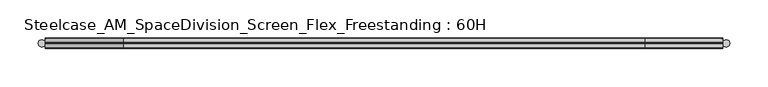
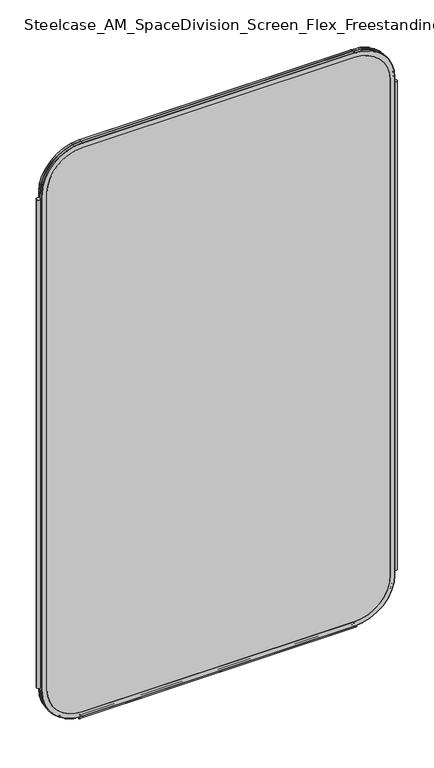
"""IFC4 building model written with IfcOpenShell, lengths in millimetres: furniture geometry, Steelcase_AM_SpaceDivision_Screen_Flex_Freestanding : 60H."""

import ifcopenshell
import ifcopenshell.guid

model = None  # the IFC model being written
_history = None  # IfcOwnerHistory: only IFC2X3 demands one
_inside = {}  # id of a spatial element -> (the spatial element, [elements in it])
_under = {}  # id of a project, library or spatial element -> (it, [spatial elements below it])
_declared = {}  # id of a project -> (the project, [libraries it declares])
_typed = {}  # id of a type object -> (the type object, [elements of that type])
_made_of = {}  # id of a material, layer set ... -> (it, [elements and type objects made of it])


def new_model(schema):
    """Start an empty IFC model of exactly this schema.

    Asked for "IFC4X3", IfcOpenShell would pick the latest addendum, in which some entities
    have other attributes; the version numbers below select the first issue.
    IFC2X3 requires an IfcOwnerHistory on every rooted entity: one is made here for all.
    """
    global model, _history
    if schema == "IFC4X3":
        model = ifcopenshell.file(schema_version=(4, 3, 0, 0))
    else:
        model = ifcopenshell.file(schema=schema)
    _inside.clear()
    _under.clear()
    _declared.clear()
    _typed.clear()
    _made_of.clear()
    _history = None
    if model.schema == "IFC2X3":
        org = make("IfcOrganization", Name="unknown")
        user = make(
            "IfcPersonAndOrganization",
            ThePerson=make("IfcPerson", FamilyName="unknown"),
            TheOrganization=org,
        )
        app = make(
            "IfcApplication",
            ApplicationDeveloper=org,
            Version="unknown",
            ApplicationFullName="unknown",
            ApplicationIdentifier="unknown",
        )
        _history = make(
            "IfcOwnerHistory",
            OwningUser=user,
            OwningApplication=app,
            ChangeAction="ADDED",
            CreationDate=0,
        )
    return model


def make(cls, **values):
    """One entity of the class cls with the attributes given. An attribute that is None is left unset."""
    return model.create_entity(
        cls, **{name: value for name, value in values.items() if value is not None}
    )


def rooted(cls, **values):
    """An entity with a GlobalId (a new one), such as an element, a storey or a relation."""
    return make(cls, GlobalId=ifcopenshell.guid.new(), OwnerHistory=_history, **values)


def si_unit(unit_type, name, prefix=None):
    """IfcSIUnit, for example si_unit("LENGTHUNIT", "METRE", prefix="MILLI")."""
    return make("IfcSIUnit", UnitType=unit_type, Prefix=prefix, Name=name)


def assignment(units):
    """IfcUnitAssignment: the units of a project."""
    return None if units is None else make("IfcUnitAssignment", Units=units)


def point(xyz):
    """IfcCartesianPoint."""
    return None if xyz is None else make("IfcCartesianPoint", Coordinates=xyz)


def direction(xyz):
    """IfcDirection."""
    return None if xyz is None else make("IfcDirection", DirectionRatios=xyz)


def frame(location, z_axis=None, x_axis=None):
    """IfcAxis2Placement3D, a coordinate frame: its origin and axes. An axis left out is left unset."""
    return make(
        "IfcAxis2Placement3D",
        Location=point(location),
        Axis=direction(z_axis),
        RefDirection=direction(x_axis),
    )


def frame_2d(location, x_axis=None):
    """IfcAxis2Placement2D, a coordinate frame in the plane: its origin and x axis."""
    return make(
        "IfcAxis2Placement2D", Location=point(location), RefDirection=direction(x_axis)
    )


def origin():
    """The frame at (0, 0, 0) with its axes left unset."""
    return frame((0.0, 0.0, 0.0))


def place(relative_to, where):
    """IfcLocalPlacement: puts the frame where relative to a parent placement (None: the world)."""
    return make(
        "IfcLocalPlacement", PlacementRelTo=relative_to, RelativePlacement=where
    )


def context(
    kind, dimensions, precision=None, world=None, true_north=None, identifier=None
):
    """IfcGeometricRepresentationContext, for example the 3D "Model" context."""
    return make(
        "IfcGeometricRepresentationContext",
        ContextIdentifier=identifier,
        ContextType=kind,
        CoordinateSpaceDimension=dimensions,
        Precision=precision,
        WorldCoordinateSystem=world,
        TrueNorth=true_north,
    )


def project(units=None, contexts=None):
    """IfcProject with its units and contexts."""
    return rooted(
        "IfcProject",
        Name="project",
        RepresentationContexts=contexts,
        UnitsInContext=assignment(units),
    )


def spatial(cls, under=None, at=None, **own):
    """A site, building, storey or space (cls), placed at a placement, below another one or the project."""
    s = rooted(cls, ObjectPlacement=at, **own)
    if under is not None:
        _under.setdefault(under.id(), (under, []))[1].append(s)
    return s


def polyline(points):
    """IfcPolyline through the points."""
    return make("IfcPolyline", Points=[point(p) for p in points])


def circle_curve(where, radius):
    """IfcCircle in the frame where."""
    return make("IfcCircle", Position=where, Radius=radius)


def ellipse_curve(where, semi_axis1, semi_axis2):
    """IfcEllipse in the frame where."""
    return make(
        "IfcEllipse", Position=where, SemiAxis1=semi_axis1, SemiAxis2=semi_axis2
    )


def trimmed(basis, trim1, trim2, sense, master):
    """IfcTrimmedCurve: the piece of a basis curve between two trims."""
    return make(
        "IfcTrimmedCurve",
        BasisCurve=basis,
        Trim1=trim1,
        Trim2=trim2,
        SenseAgreement=sense,
        MasterRepresentation=master,
    )


def segment(curve, same_sense, transition):
    """IfcCompositeCurveSegment."""
    return make(
        "IfcCompositeCurveSegment",
        Transition=transition,
        SameSense=same_sense,
        ParentCurve=curve,
    )


def composite_curve(segments, self_intersect=None):
    """IfcCompositeCurve: segments joined end to end."""
    return make("IfcCompositeCurve", Segments=segments, SelfIntersect=self_intersect)


def outline(outer, holes=None, kind="AREA"):
    """IfcArbitraryClosedProfileDef: a profile drawn as a closed curve; with holes, ...WithVoids."""
    if holes is None:
        return make("IfcArbitraryClosedProfileDef", ProfileType=kind, OuterCurve=outer)
    return make(
        "IfcArbitraryProfileDefWithVoids",
        ProfileType=kind,
        OuterCurve=outer,
        InnerCurves=holes,
    )


def extrude(swept, where, along, depth):
    """IfcExtrudedAreaSolid: the profile swept, set in the frame where, extruded along a direction by depth."""
    return make(
        "IfcExtrudedAreaSolid",
        SweptArea=swept,
        Position=where,
        ExtrudedDirection=direction(along),
        Depth=depth,
    )


def shape(context_of_items, identifier, shape_type, items):
    """IfcShapeRepresentation: the items that make up one representation, for example the "Body"."""
    return make(
        "IfcShapeRepresentation",
        ContextOfItems=context_of_items,
        RepresentationIdentifier=identifier,
        RepresentationType=shape_type,
        Items=items,
    )


def source(mapping_origin, context_of_items, identifier, shape_type, items):
    """IfcRepresentationMap: a shape defined once, which mapped items show again and again."""
    return make(
        "IfcRepresentationMap",
        MappingOrigin=mapping_origin,
        MappedRepresentation=shape(context_of_items, identifier, shape_type, items),
    )


def transform(
    local_origin,
    x_axis=None,
    y_axis=None,
    z_axis=None,
    scale=None,
    scale2=None,
    scale3=None,
    uniform=True,
):
    """IfcCartesianTransformationOperator3D, or its non-uniform kind. x_axis, y_axis, z_axis: its Axis1, 2, 3."""
    if uniform:
        return make(
            "IfcCartesianTransformationOperator3D",
            Axis1=direction(x_axis),
            Axis2=direction(y_axis),
            LocalOrigin=point(local_origin),
            Scale=scale,
            Axis3=direction(z_axis),
        )
    return make(
        "IfcCartesianTransformationOperator3DnonUniform",
        Axis1=direction(x_axis),
        Axis2=direction(y_axis),
        LocalOrigin=point(local_origin),
        Scale=scale,
        Axis3=direction(z_axis),
        Scale2=scale2,
        Scale3=scale3,
    )


def mapped(mapping_source, mapping_target):
    """IfcMappedItem: shows the shape of a source again, moved by a transform."""
    return make(
        "IfcMappedItem", MappingSource=mapping_source, MappingTarget=mapping_target
    )


def made_of(thing, what):
    """Note that an element or type object is made of a material, layer set ...; save() writes the relation."""
    if what is not None:
        _made_of.setdefault(what.id(), (what, []))[1].append(thing)
    return thing


def element(
    cls,
    number,
    at=None,
    inside=None,
    cuts=None,
    type_object=None,
    material=None,
    context=None,
    identifier="Body",
    shape_type=None,
    held_by="IfcProductDefinitionShape",
    body=None,
    shapes=None,
    **own,
):
    """One element of the class cls, such as IfcWall. Its Tag is "e" and its number.

    at: its placement. inside: the storey or other place that contains it. cuts: it is an
    opening in that element (IfcRelVoidsElement). A single representation is given by context,
    identifier, shape_type and body (its items); several are given by shapes. held_by: the class
    of the entity that holds the representations. save() writes the other relations.
    """
    e = rooted(cls, Tag="e%d" % number, ObjectPlacement=at, **own)
    if body is not None:
        shapes = [shape(context, identifier, shape_type, body)]
    if shapes is not None:
        e.Representation = make(held_by, Representations=shapes)
    if inside is not None:
        _inside.setdefault(inside.id(), (inside, []))[1].append(e)
    if cuts is not None:
        rooted(
            "IfcRelVoidsElement", RelatingBuildingElement=cuts, RelatedOpeningElement=e
        )
    if type_object is not None:
        _typed.setdefault(type_object.id(), (type_object, []))[1].append(e)
    return made_of(e, material)


def aggregate(whole, parts):
    """IfcRelAggregates: a whole, such as a stair, and the parts it consists of."""
    return rooted("IfcRelAggregates", RelatingObject=whole, RelatedObjects=parts)


def save(model, path):
    """Write the relations noted so far, then the file.

    IfcRelAggregates (storeys below a building ...), IfcRelContainedInSpatialStructure (elements
    in a storey), IfcRelDefinesByType, IfcRelAssociatesMaterial and IfcRelDeclares: one each for
    every whole, place, type object, material and project.
    """
    for whole, parts in _under.values():
        aggregate(whole, parts)
    for where, things in _inside.values():
        rooted(
            "IfcRelContainedInSpatialStructure",
            RelatedElements=things,
            RelatingStructure=where,
        )
    for kind, things in _typed.values():
        rooted("IfcRelDefinesByType", RelatedObjects=things, RelatingType=kind)
    for what, things in _made_of.values():
        rooted("IfcRelAssociatesMaterial", RelatedObjects=things, RelatingMaterial=what)
    for by, libraries in _declared.values():
        rooted("IfcRelDeclares", RelatingContext=by, RelatedDefinitions=libraries)
    model.write(path)


def plane_surface(at):
    """IfcPlane: the flat surface through the origin of the frame at, square to its z axis."""
    return make("IfcPlane", Position=at)


def cylinder_surface(at, radius):
    """IfcCylindricalSurface: all points at the distance radius from the z axis of the frame at."""
    return make("IfcCylindricalSurface", Position=at, Radius=radius)


def revolved_surface(curve, axis_point, axis_direction):
    """IfcSurfaceOfRevolution: the curve turned about the line through axis_point along axis_direction."""
    return make(
        "IfcSurfaceOfRevolution",
        SweptCurve=make("IfcArbitraryOpenProfileDef", ProfileType="CURVE", Curve=curve),
        AxisPosition=make("IfcAxis1Placement", Location=point(axis_point), Axis=direction(axis_direction)),
    )


def advanced_brep(points, edges, surfaces, faces):
    """IfcAdvancedBrep: a solid bounded by faces that lie on surfaces and meet in shared edges.

    An edge is (start, end): straight between two places in points (the first is 0);
    or (start, end, curve); or (start, end, curve, False) where it runs against its curve.
    A face is (place in surfaces, loops), or (place, loops, False) where it looks against
    its surface's normal. A loop lists edges by number (the first is 1), with a minus sign
    where the edge is run from its end to its start. The first loop is the outer one.
    """
    corners = [point(p) for p in points]
    vertices = [make("IfcVertexPoint", VertexGeometry=c) for c in corners]
    made = []
    for start, end, *more in edges:
        made.append(
            make(
                "IfcEdgeCurve",
                EdgeStart=vertices[start],
                EdgeEnd=vertices[end],
                EdgeGeometry=more[0] if more else make("IfcPolyline", Points=[corners[start], corners[end]]),
                SameSense=more[1] if len(more) > 1 else True,
            )
        )
    hull = []
    for where, loops, *sense in faces:
        bounds = []
        for j, loop in enumerate(loops):
            ring = [make("IfcOrientedEdge", EdgeElement=made[abs(k) - 1], Orientation=k > 0) for k in loop]
            bounds.append(
                make(
                    "IfcFaceOuterBound" if j == 0 else "IfcFaceBound",
                    Bound=make("IfcEdgeLoop", EdgeList=ring),
                    Orientation=True,
                )
            )
        hull.append(make("IfcAdvancedFace", Bounds=bounds, FaceSurface=surfaces[where], SameSense=sense[0] if sense else True))
    return make("IfcAdvancedBrep", Outer=make("IfcClosedShell", CfsFaces=hull))


def steelcase_am_spacedivision_screen_flex_freestanding_60h_b49cdfea(model_context):
    return source(origin(), model_context, "Body", "SolidModel", [
        extrude(outline(composite_curve([segment(trimmed(circle_curve(frame_2d((4.5307839, 0.0)), 4.572), [point((-0.0412161, 0.0))], [point((9.1027839, 0.0))], False, "CARTESIAN"), True, "CONTINUOUS"), segment(trimmed(circle_curve(frame_2d((4.5307839, 0.0)), 4.572), [point((9.1027839, 0.0))], [point((-0.0412161, 0.0))], False, "CARTESIAN"), True, "CONTINUOUS")], self_intersect=False)), frame((0.0, 0.0, 115.57), z_axis=(0.0, 0.0, 1.0), x_axis=(1.0, 0.0, 0.0)), (0.0, 0.0, 1.0), 1292.86),
        extrude(outline(composite_curve([segment(trimmed(circle_curve(frame_2d((898.7749587, 0.0)), 4.572), [point((894.2029587, 0.0))], [point((903.3469587, 0.0))], False, "CARTESIAN"), True, "CONTINUOUS"), segment(trimmed(circle_curve(frame_2d((898.7749587, 0.0)), 4.572), [point((903.3469587, 0.0))], [point((894.2029587, 0.0))], False, "CARTESIAN"), True, "CONTINUOUS")], self_intersect=False)), frame((0.0, 0.0, 115.57), z_axis=(0.0, 0.0, 1.0), x_axis=(1.0, 0.0, 0.0)), (0.0, 0.0, 1.0), 1292.86),
        extrude(outline(composite_curve([segment(trimmed(circle_curve(frame_2d((3.5, 2.4751953)), 2.5), [point((3.5, 4.9751953))], [point((1.4656663, 1.0220998))], False, "CARTESIAN"), True, "CONTINUOUS"), segment(trimmed(circle_curve(frame_2d((0.0, -0.0248047)), 1.8011626), [point((1.4656663, 1.0220998))], [point((-1.4656663, 1.0220998))], True, "CARTESIAN"), True, "CONTINUOUS"), segment(trimmed(circle_curve(frame_2d((-3.5, 2.4751953)), 2.5), [point((-1.4656663, 1.0220998))], [point((-3.5, 4.9751953))], False, "CARTESIAN"), True, "CONTINUOUS"), segment(trimmed(circle_curve(frame_2d((-3.5, 4.4751953)), 0.5), [point((-3.5, 4.9751953))], [point((-3.5, 3.9751953))], False, "CARTESIAN"), True, "CONTINUOUS"), segment(trimmed(circle_curve(frame_2d((-3.5, 2.4751953)), 1.5), [point((-3.5, 3.9751953))], [point((-2.3025096, 1.5718589))], True, "CARTESIAN"), True, "CONTINUOUS"), segment(trimmed(circle_curve(frame_2d((-10.3325937, 7.629417)), 10.0586411), [point((-2.3025096, 1.5718589))], [point((-0.714976, 4.6836248))], True, "CARTESIAN"), True, "CONTINUOUS"), segment(trimmed(circle_curve(frame_2d((0.0, 4.4646339)), 0.7477618), [point((-0.714976, 4.6836248))], [point((0.714976, 4.6836248))], False, "CARTESIAN"), True, "CONTINUOUS"), segment(trimmed(circle_curve(frame_2d((10.3325937, 7.629417)), 10.0586411), [point((0.714976, 4.6836248))], [point((2.3025096, 1.5718589))], True, "CARTESIAN"), True, "CONTINUOUS"), segment(trimmed(circle_curve(frame_2d((3.5, 2.4751953)), 1.5), [point((2.3025096, 1.5718589))], [point((3.5, 3.9751953))], True, "CARTESIAN"), True, "CONTINUOUS"), segment(trimmed(circle_curve(frame_2d((3.5, 4.4751953)), 0.5), [point((3.5, 3.9751953))], [point((3.5, 4.9751953))], False, "CARTESIAN"), True, "CONTINUOUS")], self_intersect=False)), frame((104.1640108, 0.0, 0.0), z_axis=(1.0, 0.0, 0.0), x_axis=(0.0, 1.0, 0.0)), (0.0, 0.0, 1.0), 694.9777209),
        advanced_brep(
        [(9.9273521, 0.0, 1422.4), (9.9273521, 0.0, 106.5996464), (110.7653521, 0.0, 5.7616464), (792.5652086, 0.0, 5.7616464), (893.4032086, 0.0, 106.5996464), (893.4032086, 0.0, 1422.4), (792.5652086, 0.0, 1523.238), (110.7653521, 0.0, 1523.238), (792.5652086, 0.0, 17.6996464), (110.7653521, 0.0, 17.6996464), (21.8653521, 0.0, 106.5996464), (21.8653521, 0.0, 1422.4), (110.7653521, 0.0, 1511.3), (792.5652086, 0.0, 1511.3), (881.4652086, 0.0, 1422.4), (881.4652086, 0.0, 106.5996464), (110.7653521, 0.762, 1524.0), (9.1653521, 0.762, 1422.4), (110.7653521, 6.096, 1524.0), (9.1653521, 6.096, 1422.4), (110.7653521, 6.858, 1523.238), (9.9273521, 6.858, 1422.4), (21.8653521, 6.858, 1422.4), (110.7653521, 6.858, 1511.3), (792.5652086, 0.762, 1524.0), (792.5652086, 6.096, 1524.0), (792.5652086, 6.858, 1523.238), (792.5652086, 6.858, 1511.3), (894.1652086, 0.762, 1422.4), (894.1652086, 6.096, 1422.4), (893.4032086, 6.858, 1422.4), (881.4652086, 6.858, 1422.4), (894.1652086, 0.762, 106.5996464), (894.1652086, 6.096, 106.5996464), (893.4032086, 6.858, 106.5996464), (881.4652086, 6.858, 106.5996464), (792.5652086, 0.762, 4.9996464), (792.5652086, 6.096, 4.9996464), (792.5652086, 6.858, 5.7616464), (792.5652086, 6.858, 17.6996464), (110.7653521, 0.762, 4.9996464), (110.7653521, 6.096, 4.9996464), (110.7653521, 6.858, 5.7616464), (110.7653521, 6.858, 17.6996464), (9.1653521, 0.762, 106.5996464), (9.1653521, 6.096, 106.5996464), (9.9273521, 6.858, 106.5996464), (21.8653521, 6.858, 106.5996464)],
        [
            (0, 1),
            (1, 2, circle_curve(frame((110.7653521, 0.0, 106.5996464), z_axis=(0.0, -1.0, 0.0), x_axis=(0.0, 0.0, -1.0)), 100.838)),
            (2, 3),
            (3, 4, circle_curve(frame((792.5652086, 0.0, 106.5996464), z_axis=(0.0, -1.0, 0.0), x_axis=(1.0, 0.0, 0.0)), 100.838)),
            (4, 5),
            (5, 6, circle_curve(frame((792.5652086, 0.0, 1422.4), z_axis=(0.0, -1.0, 0.0), x_axis=(0.0, 0.0, 1.0)), 100.838)),
            (6, 7),
            (7, 0, circle_curve(frame((110.7653521, 0.0, 1422.4), z_axis=(0.0, -1.0, 0.0), x_axis=(-1.0, 0.0, 0.0)), 100.838)),
            (8, 9),
            (9, 10, circle_curve(frame((110.7653521, 0.0, 106.5996464), z_axis=(0.0, 1.0, 0.0), x_axis=(0.0, 0.0, -1.0)), 88.9)),
            (10, 11),
            (11, 12, circle_curve(frame((110.7653521, 0.0, 1422.4), z_axis=(0.0, 1.0, 0.0), x_axis=(-1.0, 0.0, 0.0)), 88.9)),
            (12, 13),
            (13, 14, circle_curve(frame((792.5652086, 0.0, 1422.4), z_axis=(0.0, 1.0, 0.0), x_axis=(0.0, 0.0, 1.0)), 88.9)),
            (14, 15),
            (15, 8, circle_curve(frame((792.5652086, 0.0, 106.5996464), z_axis=(0.0, 1.0, 0.0), x_axis=(1.0, 0.0, 0.0)), 88.9)),
            (16, 17, circle_curve(frame((110.7653521, 0.762, 1422.4), z_axis=(0.0, -1.0, 0.0), x_axis=(-1.0, 0.0, 0.0)), 101.6)),
            (17, 0, circle_curve(frame((9.9273521, 0.762, 1422.4), z_axis=(0.0, 0.0, 1.0), x_axis=(-1.0, 0.0, 0.0)), 0.762)),
            (7, 16, circle_curve(frame((110.7653521, 0.762, 1523.238), z_axis=(-1.0, 0.0, 0.0), x_axis=(0.0, 0.0, 1.0)), 0.762)),
            (18, 19, circle_curve(frame((110.7653521, 6.096, 1422.4), z_axis=(0.0, -1.0, 0.0), x_axis=(-1.0, 0.0, 0.0)), 101.6)),
            (19, 17),
            (16, 18),
            (20, 21, circle_curve(frame((110.7653521, 6.858, 1422.4), z_axis=(0.0, -1.0, 0.0), x_axis=(-1.0, 0.0, 0.0)), 100.838)),
            (21, 19, circle_curve(frame((9.9273521, 6.096, 1422.4), z_axis=(0.0, 0.0, 1.0), x_axis=(-1.0, 0.0, 0.0)), 0.762)),
            (18, 20, circle_curve(frame((110.7653521, 6.096, 1523.238), z_axis=(-1.0, 0.0, 0.0), x_axis=(0.0, 0.0, 1.0)), 0.762)),
            (11, 22),
            (22, 23, circle_curve(frame((110.7653521, 6.858, 1422.4), z_axis=(0.0, 1.0, 0.0), x_axis=(-1.0, 0.0, 0.0)), 88.9)),
            (23, 12),
            (6, 24, circle_curve(frame((792.5652086, 0.762, 1523.238), z_axis=(-1.0, 0.0, 0.0), x_axis=(0.0, 0.0, 1.0)), 0.762)),
            (24, 16),
            (24, 25),
            (25, 18),
            (25, 26, circle_curve(frame((792.5652086, 6.096, 1523.238), z_axis=(-1.0, 0.0, 0.0), x_axis=(0.0, 0.0, 1.0)), 0.762)),
            (26, 20),
            (23, 27),
            (27, 13),
            (28, 24, circle_curve(frame((792.5652086, 0.762, 1422.4), z_axis=(0.0, -1.0, 0.0), x_axis=(0.0, 0.0, 1.0)), 101.6)),
            (5, 28, circle_curve(frame((893.4032086, 0.762, 1422.4), z_axis=(0.0, 0.0, 1.0), x_axis=(1.0, 0.0, 0.0)), 0.762)),
            (29, 25, circle_curve(frame((792.5652086, 6.096, 1422.4), z_axis=(0.0, -1.0, 0.0), x_axis=(0.0, 0.0, 1.0)), 101.6)),
            (28, 29),
            (30, 26, circle_curve(frame((792.5652086, 6.858, 1422.4), z_axis=(0.0, -1.0, 0.0), x_axis=(0.0, 0.0, 1.0)), 100.838)),
            (29, 30, circle_curve(frame((893.4032086, 6.096, 1422.4), z_axis=(0.0, 0.0, 1.0), x_axis=(1.0, 0.0, 0.0)), 0.762)),
            (27, 31, circle_curve(frame((792.5652086, 6.858, 1422.4), z_axis=(0.0, 1.0, 0.0), x_axis=(0.0, 0.0, 1.0)), 88.9)),
            (31, 14),
            (4, 32, circle_curve(frame((893.4032086, 0.762, 106.5996464), z_axis=(0.0, 0.0, 1.0), x_axis=(1.0, 0.0, 0.0)), 0.762)),
            (32, 28),
            (32, 33),
            (33, 29),
            (33, 34, circle_curve(frame((893.4032086, 6.096, 106.5996464), z_axis=(0.0, 0.0, 1.0), x_axis=(1.0, 0.0, 0.0)), 0.762)),
            (34, 30),
            (31, 35),
            (35, 15),
            (36, 32, circle_curve(frame((792.5652086, 0.762, 106.5996464), z_axis=(0.0, -1.0, 0.0), x_axis=(1.0, 0.0, 0.0)), 101.6)),
            (3, 36, circle_curve(frame((792.5652086, 0.762, 5.7616464), z_axis=(1.0, 0.0, 0.0), x_axis=(0.0, 0.0, -1.0)), 0.762)),
            (37, 33, circle_curve(frame((792.5652086, 6.096, 106.5996464), z_axis=(0.0, -1.0, 0.0), x_axis=(1.0, 0.0, 0.0)), 101.6)),
            (36, 37),
            (38, 34, circle_curve(frame((792.5652086, 6.858, 106.5996464), z_axis=(0.0, -1.0, 0.0), x_axis=(1.0, 0.0, 0.0)), 100.838)),
            (37, 38, circle_curve(frame((792.5652086, 6.096, 5.7616464), z_axis=(1.0, 0.0, 0.0), x_axis=(0.0, 0.0, -1.0)), 0.762)),
            (35, 39, circle_curve(frame((792.5652086, 6.858, 106.5996464), z_axis=(0.0, 1.0, 0.0), x_axis=(1.0, 0.0, 0.0)), 88.9)),
            (39, 8),
            (2, 40, circle_curve(frame((110.7653521, 0.762, 5.7616464), z_axis=(1.0, 0.0, 0.0), x_axis=(0.0, 0.0, -1.0)), 0.762)),
            (40, 36),
            (40, 41),
            (41, 37),
            (41, 42, circle_curve(frame((110.7653521, 6.096, 5.7616464), z_axis=(1.0, 0.0, 0.0), x_axis=(0.0, 0.0, -1.0)), 0.762)),
            (42, 38),
            (39, 43),
            (43, 9),
            (44, 40, circle_curve(frame((110.7653521, 0.762, 106.5996464), z_axis=(0.0, -1.0, 0.0), x_axis=(0.0, 0.0, -1.0)), 101.6)),
            (1, 44, circle_curve(frame((9.9273521, 0.762, 106.5996464), z_axis=(0.0, 0.0, -1.0), x_axis=(-1.0, 0.0, 0.0)), 0.762)),
            (45, 41, circle_curve(frame((110.7653521, 6.096, 106.5996464), z_axis=(0.0, -1.0, 0.0), x_axis=(0.0, 0.0, -1.0)), 101.6)),
            (44, 45),
            (46, 42, circle_curve(frame((110.7653521, 6.858, 106.5996464), z_axis=(0.0, -1.0, 0.0), x_axis=(0.0, 0.0, -1.0)), 100.838)),
            (45, 46, circle_curve(frame((9.9273521, 6.096, 106.5996464), z_axis=(0.0, 0.0, -1.0), x_axis=(-1.0, 0.0, 0.0)), 0.762)),
            (43, 47, circle_curve(frame((110.7653521, 6.858, 106.5996464), z_axis=(0.0, 1.0, 0.0), x_axis=(0.0, 0.0, -1.0)), 88.9)),
            (47, 10),
            (17, 44),
            (19, 45),
            (21, 46),
            (22, 47),
        ],
        [
            plane_surface(frame((21.8653521, 0.0, 106.5996464), z_axis=(0.0, -1.0, 0.0), x_axis=(0.0, 0.0, 1.0))),
            revolved_surface(trimmed(ellipse_curve(frame((9.9273521, 0.762, 1422.4), z_axis=(0.0, 0.0, -1.0), x_axis=(-1.0, 0.0, 0.0)), 0.762, 0.762), [point((9.9273521, 0.0, 1422.4))], [point((9.1653521, 0.762, 1422.4))], True, "CARTESIAN"), (110.7653521, 0.0, 1422.4), (0.0, 1.0, 0.0)),
            cylinder_surface(frame((110.7653521, 0.0, 1422.4), z_axis=(0.0, 1.0, 0.0), x_axis=(-1.0, 0.0, 0.0)), 101.6),
            revolved_surface(trimmed(ellipse_curve(frame((9.9273521, 6.096, 1422.4), z_axis=(0.0, 0.0, -1.0), x_axis=(-1.0, 0.0, 0.0)), 0.762, 0.762), [point((9.1653521, 6.096, 1422.4))], [point((9.9273521, 6.858, 1422.4))], True, "CARTESIAN"), (110.7653521, 0.0, 1422.4), (0.0, 1.0, 0.0)),
            revolved_surface(polyline([(21.865352099999996, 6.858, 1422.4), (21.865352099999996, 0.0, 1422.4)]), (110.7653521, 0.0, 1422.4), (0.0, 1.0, 0.0)),
            cylinder_surface(frame((110.7653521, 0.762, 1523.238), z_axis=(-1.0, 0.0, 0.0), x_axis=(0.0, 0.0, 1.0)), 0.762),
            plane_surface(frame((110.7653521, 0.762, 1524.0), z_axis=(0.0, 0.0, 1.0), x_axis=(1.0, 0.0, 0.0))),
            cylinder_surface(frame((110.7653521, 6.096, 1523.238), z_axis=(-1.0, 0.0, 0.0), x_axis=(0.0, 0.0, 1.0)), 0.762),
            plane_surface(frame((110.7653521, 6.858, 1511.3), z_axis=(0.0, 0.0, -1.0), x_axis=(1.0, 0.0, 0.0))),
            revolved_surface(trimmed(ellipse_curve(frame((792.5652086, 0.762, 1523.238), z_axis=(-1.0, 0.0, 0.0), x_axis=(0.0, 0.0, 1.0)), 0.762, 0.762), [point((792.5652086, 0.0, 1523.238))], [point((792.5652086, 0.762, 1524.0))], True, "CARTESIAN"), (792.5652086, 0.0, 1422.4), (0.0, 1.0, 0.0)),
            cylinder_surface(frame((792.5652086, 0.0, 1422.4), z_axis=(0.0, 1.0, 0.0), x_axis=(0.0, 0.0, 1.0)), 101.6),
            revolved_surface(trimmed(ellipse_curve(frame((792.5652086, 6.096, 1523.238), z_axis=(-1.0, 0.0, 0.0), x_axis=(0.0, 0.0, 1.0)), 0.762, 0.762), [point((792.5652086, 6.096, 1524.0))], [point((792.5652086, 6.858, 1523.238))], True, "CARTESIAN"), (792.5652086, 0.0, 1422.4), (0.0, 1.0, 0.0)),
            revolved_surface(polyline([(792.5652086, 6.858, 1511.3000000000002), (792.5652086, 0.0, 1511.3000000000002)]), (792.5652086, 0.0, 1422.4), (0.0, 1.0, 0.0)),
            cylinder_surface(frame((893.4032086, 0.762, 1422.4), z_axis=(0.0, 0.0, 1.0), x_axis=(1.0, 0.0, 0.0)), 0.762),
            plane_surface(frame((894.1652086, 0.762, 1422.4), z_axis=(1.0, 0.0, 0.0), x_axis=(0.0, 0.0, -1.0))),
            cylinder_surface(frame((893.4032086, 6.096, 1422.4), z_axis=(0.0, 0.0, 1.0), x_axis=(1.0, 0.0, 0.0)), 0.762),
            plane_surface(frame((881.4652086, 6.858, 1422.4), z_axis=(-1.0, 0.0, 0.0), x_axis=(0.0, 0.0, -1.0))),
            revolved_surface(trimmed(ellipse_curve(frame((893.4032086, 0.762, 106.5996464), z_axis=(0.0, 0.0, 1.0), x_axis=(1.0, 0.0, 0.0)), 0.762, 0.762), [point((893.4032086, 0.0, 106.5996464))], [point((894.1652086, 0.762, 106.5996464))], True, "CARTESIAN"), (792.5652086, 0.0, 106.5996464), (0.0, 1.0, 0.0)),
            cylinder_surface(frame((792.5652086, 0.0, 106.5996464), z_axis=(0.0, 1.0, 0.0), x_axis=(1.0, 0.0, 0.0)), 101.6),
            revolved_surface(trimmed(ellipse_curve(frame((893.4032086, 6.096, 106.5996464), z_axis=(0.0, 0.0, 1.0), x_axis=(1.0, 0.0, 0.0)), 0.762, 0.762), [point((894.1652086, 6.096, 106.5996464))], [point((893.4032086, 6.858, 106.5996464))], True, "CARTESIAN"), (792.5652086, 0.0, 106.5996464), (0.0, 1.0, 0.0)),
            revolved_surface(polyline([(881.4652086, 6.858, 106.5996464), (881.4652086, 0.0, 106.5996464)]), (792.5652086, 0.0, 106.5996464), (0.0, 1.0, 0.0)),
            cylinder_surface(frame((792.5652086, 0.762, 5.7616464), z_axis=(1.0, 0.0, 0.0), x_axis=(0.0, 0.0, -1.0)), 0.762),
            plane_surface(frame((792.5652086, 0.762, 4.9996464), z_axis=(0.0, 0.0, -1.0), x_axis=(-1.0, 0.0, 0.0))),
            cylinder_surface(frame((792.5652086, 6.096, 5.7616464), z_axis=(1.0, 0.0, 0.0), x_axis=(0.0, 0.0, -1.0)), 0.762),
            plane_surface(frame((792.5652086, 6.858, 17.6996464), z_axis=(0.0, 0.0, 1.0), x_axis=(-1.0, 0.0, 0.0))),
            revolved_surface(trimmed(ellipse_curve(frame((110.7653521, 0.762, 5.7616464), z_axis=(1.0, 0.0, 0.0), x_axis=(0.0, 0.0, -1.0)), 0.762, 0.762), [point((110.7653521, 0.0, 5.7616464))], [point((110.7653521, 0.762, 4.9996464))], True, "CARTESIAN"), (110.7653521, 0.0, 106.5996464), (0.0, 1.0, 0.0)),
            cylinder_surface(frame((110.7653521, 0.0, 106.5996464), z_axis=(0.0, 1.0, 0.0), x_axis=(0.0, 0.0, -1.0)), 101.6),
            revolved_surface(trimmed(ellipse_curve(frame((110.7653521, 6.096, 5.7616464), z_axis=(1.0, 0.0, 0.0), x_axis=(0.0, 0.0, -1.0)), 0.762, 0.762), [point((110.7653521, 6.096, 4.9996464))], [point((110.7653521, 6.858, 5.7616464))], True, "CARTESIAN"), (110.7653521, 0.0, 106.5996464), (0.0, 1.0, 0.0)),
            revolved_surface(polyline([(110.7653521, 6.858, 17.699646399999992), (110.7653521, 0.0, 17.699646399999992)]), (110.7653521, 0.0, 106.5996464), (0.0, 1.0, 0.0)),
            cylinder_surface(frame((9.9273521, 0.762, 106.5996464), z_axis=(0.0, 0.0, -1.0), x_axis=(-1.0, 0.0, 0.0)), 0.762),
            plane_surface(frame((9.1653521, 0.762, 106.5996464), z_axis=(-1.0, 0.0, 0.0), x_axis=(0.0, 0.0, 1.0))),
            cylinder_surface(frame((9.9273521, 6.096, 106.5996464), z_axis=(0.0, 0.0, -1.0), x_axis=(-1.0, 0.0, 0.0)), 0.762),
            plane_surface(frame((9.9273521, 6.858, 106.5996464), z_axis=(0.0, 1.0, 0.0), x_axis=(0.0, 0.0, 1.0))),
            plane_surface(frame((21.8653521, 6.858, 106.5996464), z_axis=(1.0, 0.0, 0.0), x_axis=(0.0, 0.0, 1.0))),
        ],
        [
            (0, [[1, 2, 3, 4, 5, 6, 7, 8], [9, 10, 11, 12, 13, 14, 15, 16]]),
            (1, [[17, 18, -8, 19]]),
            (2, [[20, 21, -17, 22]]),
            (3, [[23, 24, -20, 25]]),
            (4, [[-12, 26, 27, 28]]),
            (5, [[-19, -7, 29, 30]]),
            (6, [[-22, -30, 31, 32]]),
            (7, [[-25, -32, 33, 34]]),
            (8, [[-28, 35, 36, -13]]),
            (9, [[37, -29, -6, 38]]),
            (10, [[39, -31, -37, 40]]),
            (11, [[41, -33, -39, 42]]),
            (12, [[-14, -36, 43, 44]]),
            (13, [[-38, -5, 45, 46]]),
            (14, [[-40, -46, 47, 48]]),
            (15, [[-42, -48, 49, 50]]),
            (16, [[-44, 51, 52, -15]]),
            (17, [[53, -45, -4, 54]]),
            (18, [[55, -47, -53, 56]]),
            (19, [[57, -49, -55, 58]]),
            (20, [[-16, -52, 59, 60]]),
            (21, [[-54, -3, 61, 62]]),
            (22, [[-56, -62, 63, 64]]),
            (23, [[-58, -64, 65, 66]]),
            (24, [[-60, 67, 68, -9]]),
            (25, [[69, -61, -2, 70]]),
            (26, [[71, -63, -69, 72]]),
            (27, [[73, -65, -71, 74]]),
            (28, [[-10, -68, 75, 76]]),
            (29, [[-70, -1, -18, 77]]),
            (30, [[-72, -77, -21, 78]]),
            (31, [[-74, -78, -24, 79]]),
            (32, [[-66, -73, -79, -23, -34, -41, -50, -57], [80, -75, -67, -59, -51, -43, -35, -27]]),
            (33, [[-76, -80, -26, -11]]),
        ],
    ),
        extrude(outline(composite_curve([segment(polyline([(1511.3, 792.5652086), (1511.3, 110.7653521)]), True, "CONTINUOUS"), segment(trimmed(circle_curve(frame_2d((1422.4, 110.7653521)), 88.9), [point((1511.3, 110.7653521))], [point((1422.4, 21.8653521))], False, "CARTESIAN"), True, "CONTINUOUS"), segment(polyline([(1422.4, 21.8653521), (106.5996464, 21.8653521)]), True, "CONTINUOUS"), segment(trimmed(circle_curve(frame_2d((106.5996464, 110.7653521)), 88.9), [point((106.5996464, 21.8653521))], [point((17.6996464, 110.7653521))], False, "CARTESIAN"), True, "CONTINUOUS"), segment(polyline([(17.6996464, 110.7653521), (17.6996464, 792.5652086)]), True, "CONTINUOUS"), segment(trimmed(circle_curve(frame_2d((106.5996464, 792.5652086)), 88.9), [point((17.6996464, 792.5652086))], [point((106.5996464, 881.4652086))], False, "CARTESIAN"), True, "CONTINUOUS"), segment(polyline([(106.5996464, 881.4652086), (1422.4, 881.4652086)]), True, "CONTINUOUS"), segment(trimmed(circle_curve(frame_2d((1422.4, 792.5652086)), 88.9), [point((1422.4, 881.4652086))], [point((1511.3, 792.5652086))], False, "CARTESIAN"), True, "CONTINUOUS")], self_intersect=False)), frame((0.0, 0.0, 0.0), z_axis=(0.0, 1.0, 0.0), x_axis=(0.0, 0.0, 1.0)), (0.0, 0.0, 1.0), 6.858),
        advanced_brep(
        [(110.7653521, -6.858, 1511.3), (21.8653521, -6.858, 1422.4), (21.8653521, 0.0, 1422.4), (110.7653521, 0.0, 1511.3), (110.7653521, -6.096, 1524.0), (9.1653521, -6.096, 1422.4), (9.9273521, -6.858, 1422.4), (110.7653521, -6.858, 1523.238), (110.7653521, -0.762, 1524.0), (9.1653521, -0.762, 1422.4), (110.7653521, 0.0, 1523.238), (9.9273521, 0.0, 1422.4), (792.5652086, 0.0, 1511.3), (792.5652086, -6.858, 1511.3), (792.5652086, -6.858, 1523.238), (792.5652086, -6.096, 1524.0), (792.5652086, -0.762, 1524.0), (792.5652086, 0.0, 1523.238), (881.4652086, -6.858, 1422.4), (881.4652086, 0.0, 1422.4), (894.1652086, -6.096, 1422.4), (893.4032086, -6.858, 1422.4), (894.1652086, -0.762, 1422.4), (893.4032086, 0.0, 1422.4), (881.4652086, 0.0, 106.5996464), (881.4652086, -6.858, 106.5996464), (893.4032086, -6.858, 106.5996464), (894.1652086, -6.096, 106.5996464), (894.1652086, -0.762, 106.5996464), (893.4032086, 0.0, 106.5996464), (792.5652086, -6.858, 17.6996464), (792.5652086, 0.0, 17.6996464), (792.5652086, -6.096, 4.9996464), (792.5652086, -6.858, 5.7616464), (792.5652086, -0.762, 4.9996464), (792.5652086, 0.0, 5.7616464), (110.7653521, 0.0, 17.6996464), (110.7653521, -6.858, 17.6996464), (110.7653521, -6.858, 5.7616464), (110.7653521, -6.096, 4.9996464), (110.7653521, -0.762, 4.9996464), (110.7653521, 0.0, 5.7616464), (21.8653521, -6.858, 106.5996464), (21.8653521, 0.0, 106.5996464), (9.1653521, -6.096, 106.5996464), (9.9273521, -6.858, 106.5996464), (9.1653521, -0.762, 106.5996464), (9.9273521, 0.0, 106.5996464)],
        [
            (0, 1, circle_curve(frame((110.7653521, -6.858, 1422.4), z_axis=(0.0, -1.0, 0.0), x_axis=(-1.0, 0.0, 0.0)), 88.9)),
            (1, 2),
            (2, 3, circle_curve(frame((110.7653521, 0.0, 1422.4), z_axis=(0.0, 1.0, 0.0), x_axis=(-1.0, 0.0, 0.0)), 88.9)),
            (3, 0),
            (4, 5, circle_curve(frame((110.7653521, -6.096, 1422.4), z_axis=(0.0, -1.0, 0.0), x_axis=(-1.0, 0.0, 0.0)), 101.6)),
            (5, 6, circle_curve(frame((9.9273521, -6.096, 1422.4), z_axis=(0.0, 0.0, 1.0), x_axis=(-1.0, 0.0, 0.0)), 0.762)),
            (6, 7, circle_curve(frame((110.7653521, -6.858, 1422.4), z_axis=(0.0, 1.0, 0.0), x_axis=(-1.0, 0.0, 0.0)), 100.838)),
            (7, 4, circle_curve(frame((110.7653521, -6.096, 1523.238), z_axis=(-1.0, 0.0, 0.0), x_axis=(0.0, 0.0, 1.0)), 0.762)),
            (8, 9, circle_curve(frame((110.7653521, -0.762, 1422.4), z_axis=(0.0, -1.0, 0.0), x_axis=(-1.0, 0.0, 0.0)), 101.6)),
            (9, 5),
            (4, 8),
            (10, 11, circle_curve(frame((110.7653521, 0.0, 1422.4), z_axis=(0.0, -1.0, 0.0), x_axis=(-1.0, 0.0, 0.0)), 100.838)),
            (11, 9, circle_curve(frame((9.9273521, -0.762, 1422.4), z_axis=(0.0, 0.0, 1.0), x_axis=(-1.0, 0.0, 0.0)), 0.762)),
            (8, 10, circle_curve(frame((110.7653521, -0.762, 1523.238), z_axis=(-1.0, 0.0, 0.0), x_axis=(0.0, 0.0, 1.0)), 0.762)),
            (3, 12),
            (12, 13),
            (13, 0),
            (7, 14),
            (14, 15, circle_curve(frame((792.5652086, -6.096, 1523.238), z_axis=(-1.0, 0.0, 0.0), x_axis=(0.0, 0.0, 1.0)), 0.762)),
            (15, 4),
            (15, 16),
            (16, 8),
            (16, 17, circle_curve(frame((792.5652086, -0.762, 1523.238), z_axis=(-1.0, 0.0, 0.0), x_axis=(0.0, 0.0, 1.0)), 0.762)),
            (17, 10),
            (18, 13, circle_curve(frame((792.5652086, -6.858, 1422.4), z_axis=(0.0, -1.0, 0.0), x_axis=(0.0, 0.0, 1.0)), 88.9)),
            (12, 19, circle_curve(frame((792.5652086, 0.0, 1422.4), z_axis=(0.0, 1.0, 0.0), x_axis=(0.0, 0.0, 1.0)), 88.9)),
            (19, 18),
            (20, 15, circle_curve(frame((792.5652086, -6.096, 1422.4), z_axis=(0.0, -1.0, 0.0), x_axis=(0.0, 0.0, 1.0)), 101.6)),
            (14, 21, circle_curve(frame((792.5652086, -6.858, 1422.4), z_axis=(0.0, 1.0, 0.0), x_axis=(0.0, 0.0, 1.0)), 100.838)),
            (21, 20, circle_curve(frame((893.4032086, -6.096, 1422.4), z_axis=(0.0, 0.0, 1.0), x_axis=(1.0, 0.0, 0.0)), 0.762)),
            (22, 16, circle_curve(frame((792.5652086, -0.762, 1422.4), z_axis=(0.0, -1.0, 0.0), x_axis=(0.0, 0.0, 1.0)), 101.6)),
            (20, 22),
            (23, 17, circle_curve(frame((792.5652086, 0.0, 1422.4), z_axis=(0.0, -1.0, 0.0), x_axis=(0.0, 0.0, 1.0)), 100.838)),
            (22, 23, circle_curve(frame((893.4032086, -0.762, 1422.4), z_axis=(0.0, 0.0, 1.0), x_axis=(1.0, 0.0, 0.0)), 0.762)),
            (19, 24),
            (24, 25),
            (25, 18),
            (21, 26),
            (26, 27, circle_curve(frame((893.4032086, -6.096, 106.5996464), z_axis=(0.0, 0.0, 1.0), x_axis=(1.0, 0.0, 0.0)), 0.762)),
            (27, 20),
            (27, 28),
            (28, 22),
            (28, 29, circle_curve(frame((893.4032086, -0.762, 106.5996464), z_axis=(0.0, 0.0, 1.0), x_axis=(1.0, 0.0, 0.0)), 0.762)),
            (29, 23),
            (30, 25, circle_curve(frame((792.5652086, -6.858, 106.5996464), z_axis=(0.0, -1.0, 0.0), x_axis=(1.0, 0.0, 0.0)), 88.9)),
            (24, 31, circle_curve(frame((792.5652086, 0.0, 106.5996464), z_axis=(0.0, 1.0, 0.0), x_axis=(1.0, 0.0, 0.0)), 88.9)),
            (31, 30),
            (32, 27, circle_curve(frame((792.5652086, -6.096, 106.5996464), z_axis=(0.0, -1.0, 0.0), x_axis=(1.0, 0.0, 0.0)), 101.6)),
            (26, 33, circle_curve(frame((792.5652086, -6.858, 106.5996464), z_axis=(0.0, 1.0, 0.0), x_axis=(1.0, 0.0, 0.0)), 100.838)),
            (33, 32, circle_curve(frame((792.5652086, -6.096, 5.7616464), z_axis=(1.0, 0.0, 0.0), x_axis=(0.0, 0.0, -1.0)), 0.762)),
            (34, 28, circle_curve(frame((792.5652086, -0.762, 106.5996464), z_axis=(0.0, -1.0, 0.0), x_axis=(1.0, 0.0, 0.0)), 101.6)),
            (32, 34),
            (35, 29, circle_curve(frame((792.5652086, 0.0, 106.5996464), z_axis=(0.0, -1.0, 0.0), x_axis=(1.0, 0.0, 0.0)), 100.838)),
            (34, 35, circle_curve(frame((792.5652086, -0.762, 5.7616464), z_axis=(1.0, 0.0, 0.0), x_axis=(0.0, 0.0, -1.0)), 0.762)),
            (31, 36),
            (36, 37),
            (37, 30),
            (33, 38),
            (38, 39, circle_curve(frame((110.7653521, -6.096, 5.7616464), z_axis=(1.0, 0.0, 0.0), x_axis=(0.0, 0.0, -1.0)), 0.762)),
            (39, 32),
            (39, 40),
            (40, 34),
            (40, 41, circle_curve(frame((110.7653521, -0.762, 5.7616464), z_axis=(1.0, 0.0, 0.0), x_axis=(0.0, 0.0, -1.0)), 0.762)),
            (41, 35),
            (42, 37, circle_curve(frame((110.7653521, -6.858, 106.5996464), z_axis=(0.0, -1.0, 0.0), x_axis=(0.0, 0.0, -1.0)), 88.9)),
            (36, 43, circle_curve(frame((110.7653521, 0.0, 106.5996464), z_axis=(0.0, 1.0, 0.0), x_axis=(0.0, 0.0, -1.0)), 88.9)),
            (43, 42),
            (44, 39, circle_curve(frame((110.7653521, -6.096, 106.5996464), z_axis=(0.0, -1.0, 0.0), x_axis=(0.0, 0.0, -1.0)), 101.6)),
            (38, 45, circle_curve(frame((110.7653521, -6.858, 106.5996464), z_axis=(0.0, 1.0, 0.0), x_axis=(0.0, 0.0, -1.0)), 100.838)),
            (45, 44, circle_curve(frame((9.9273521, -6.096, 106.5996464), z_axis=(0.0, 0.0, -1.0), x_axis=(-1.0, 0.0, 0.0)), 0.762)),
            (46, 40, circle_curve(frame((110.7653521, -0.762, 106.5996464), z_axis=(0.0, -1.0, 0.0), x_axis=(0.0, 0.0, -1.0)), 101.6)),
            (44, 46),
            (47, 41, circle_curve(frame((110.7653521, 0.0, 106.5996464), z_axis=(0.0, -1.0, 0.0), x_axis=(0.0, 0.0, -1.0)), 100.838)),
            (46, 47, circle_curve(frame((9.9273521, -0.762, 106.5996464), z_axis=(0.0, 0.0, -1.0), x_axis=(-1.0, 0.0, 0.0)), 0.762)),
            (43, 2),
            (1, 42),
            (6, 45),
            (5, 44),
            (9, 46),
            (11, 47),
        ],
        [
            revolved_surface(polyline([(21.865352099999996, 0.0, 1422.4), (21.865352099999996, -6.858, 1422.4)]), (110.7653521, 0.0, 1422.4), (0.0, 1.0, 0.0)),
            revolved_surface(trimmed(ellipse_curve(frame((9.9273521, -6.096, 1422.4), z_axis=(0.0, 0.0, -1.0), x_axis=(-1.0, 0.0, 0.0)), 0.762, 0.762), [point((9.9273521, -6.858, 1422.4))], [point((9.1653521, -6.096, 1422.4))], True, "CARTESIAN"), (110.7653521, 0.0, 1422.4), (0.0, 1.0, 0.0)),
            cylinder_surface(frame((110.7653521, 0.0, 1422.4), z_axis=(0.0, 1.0, 0.0), x_axis=(-1.0, 0.0, 0.0)), 101.6),
            revolved_surface(trimmed(ellipse_curve(frame((9.9273521, -0.762, 1422.4), z_axis=(0.0, 0.0, -1.0), x_axis=(-1.0, 0.0, 0.0)), 0.762, 0.762), [point((9.1653521, -0.762, 1422.4))], [point((9.9273521, 0.0, 1422.4))], True, "CARTESIAN"), (110.7653521, 0.0, 1422.4), (0.0, 1.0, 0.0)),
            plane_surface(frame((110.7653521, 0.0, 1511.3), z_axis=(0.0, 0.0, -1.0), x_axis=(1.0, 0.0, 0.0))),
            cylinder_surface(frame((110.7653521, -6.096, 1523.238), z_axis=(-1.0, 0.0, 0.0), x_axis=(0.0, 0.0, 1.0)), 0.762),
            plane_surface(frame((110.7653521, -6.096, 1524.0), z_axis=(0.0, 0.0, 1.0), x_axis=(1.0, 0.0, 0.0))),
            cylinder_surface(frame((110.7653521, -0.762, 1523.238), z_axis=(-1.0, 0.0, 0.0), x_axis=(0.0, 0.0, 1.0)), 0.762),
            revolved_surface(polyline([(792.5652086, 0.0, 1511.3000000000002), (792.5652086, -6.858, 1511.3000000000002)]), (792.5652086, 0.0, 1422.4), (0.0, 1.0, 0.0)),
            revolved_surface(trimmed(ellipse_curve(frame((792.5652086, -6.096, 1523.238), z_axis=(-1.0, 0.0, 0.0), x_axis=(0.0, 0.0, 1.0)), 0.762, 0.762), [point((792.5652086, -6.858, 1523.238))], [point((792.5652086, -6.096, 1524.0))], True, "CARTESIAN"), (792.5652086, 0.0, 1422.4), (0.0, 1.0, 0.0)),
            cylinder_surface(frame((792.5652086, 0.0, 1422.4), z_axis=(0.0, 1.0, 0.0), x_axis=(0.0, 0.0, 1.0)), 101.6),
            revolved_surface(trimmed(ellipse_curve(frame((792.5652086, -0.762, 1523.238), z_axis=(-1.0, 0.0, 0.0), x_axis=(0.0, 0.0, 1.0)), 0.762, 0.762), [point((792.5652086, -0.762, 1524.0))], [point((792.5652086, 0.0, 1523.238))], True, "CARTESIAN"), (792.5652086, 0.0, 1422.4), (0.0, 1.0, 0.0)),
            plane_surface(frame((881.4652086, 0.0, 1422.4), z_axis=(-1.0, 0.0, 0.0), x_axis=(0.0, 0.0, -1.0))),
            cylinder_surface(frame((893.4032086, -6.096, 1422.4), z_axis=(0.0, 0.0, 1.0), x_axis=(1.0, 0.0, 0.0)), 0.762),
            plane_surface(frame((894.1652086, -6.096, 1422.4), z_axis=(1.0, 0.0, 0.0), x_axis=(0.0, 0.0, -1.0))),
            cylinder_surface(frame((893.4032086, -0.762, 1422.4), z_axis=(0.0, 0.0, 1.0), x_axis=(1.0, 0.0, 0.0)), 0.762),
            revolved_surface(polyline([(881.4652086, 0.0, 106.5996464), (881.4652086, -6.858, 106.5996464)]), (792.5652086, 0.0, 106.5996464), (0.0, 1.0, 0.0)),
            revolved_surface(trimmed(ellipse_curve(frame((893.4032086, -6.096, 106.5996464), z_axis=(0.0, 0.0, 1.0), x_axis=(1.0, 0.0, 0.0)), 0.762, 0.762), [point((893.4032086, -6.858, 106.5996464))], [point((894.1652086, -6.096, 106.5996464))], True, "CARTESIAN"), (792.5652086, 0.0, 106.5996464), (0.0, 1.0, 0.0)),
            cylinder_surface(frame((792.5652086, 0.0, 106.5996464), z_axis=(0.0, 1.0, 0.0), x_axis=(1.0, 0.0, 0.0)), 101.6),
            revolved_surface(trimmed(ellipse_curve(frame((893.4032086, -0.762, 106.5996464), z_axis=(0.0, 0.0, 1.0), x_axis=(1.0, 0.0, 0.0)), 0.762, 0.762), [point((894.1652086, -0.762, 106.5996464))], [point((893.4032086, 0.0, 106.5996464))], True, "CARTESIAN"), (792.5652086, 0.0, 106.5996464), (0.0, 1.0, 0.0)),
            plane_surface(frame((792.5652086, 0.0, 17.6996464), z_axis=(0.0, 0.0, 1.0), x_axis=(-1.0, 0.0, 0.0))),
            cylinder_surface(frame((792.5652086, -6.096, 5.7616464), z_axis=(1.0, 0.0, 0.0), x_axis=(0.0, 0.0, -1.0)), 0.762),
            plane_surface(frame((792.5652086, -6.096, 4.9996464), z_axis=(0.0, 0.0, -1.0), x_axis=(-1.0, 0.0, 0.0))),
            cylinder_surface(frame((792.5652086, -0.762, 5.7616464), z_axis=(1.0, 0.0, 0.0), x_axis=(0.0, 0.0, -1.0)), 0.762),
            revolved_surface(polyline([(110.7653521, 0.0, 17.699646399999992), (110.7653521, -6.858, 17.699646399999992)]), (110.7653521, 0.0, 106.5996464), (0.0, 1.0, 0.0)),
            revolved_surface(trimmed(ellipse_curve(frame((110.7653521, -6.096, 5.7616464), z_axis=(1.0, 0.0, 0.0), x_axis=(0.0, 0.0, -1.0)), 0.762, 0.762), [point((110.7653521, -6.858, 5.7616464))], [point((110.7653521, -6.096, 4.9996464))], True, "CARTESIAN"), (110.7653521, 0.0, 106.5996464), (0.0, 1.0, 0.0)),
            cylinder_surface(frame((110.7653521, 0.0, 106.5996464), z_axis=(0.0, 1.0, 0.0), x_axis=(0.0, 0.0, -1.0)), 101.6),
            revolved_surface(trimmed(ellipse_curve(frame((110.7653521, -0.762, 5.7616464), z_axis=(1.0, 0.0, 0.0), x_axis=(0.0, 0.0, -1.0)), 0.762, 0.762), [point((110.7653521, -0.762, 4.9996464))], [point((110.7653521, 0.0, 5.7616464))], True, "CARTESIAN"), (110.7653521, 0.0, 106.5996464), (0.0, 1.0, 0.0)),
            plane_surface(frame((21.8653521, 0.0, 106.5996464), z_axis=(1.0, 0.0, 0.0), x_axis=(0.0, 0.0, 1.0))),
            plane_surface(frame((21.8653521, -6.858, 106.5996464), z_axis=(0.0, -1.0, 0.0), x_axis=(0.0, 0.0, 1.0))),
            cylinder_surface(frame((9.9273521, -6.096, 106.5996464), z_axis=(0.0, 0.0, -1.0), x_axis=(-1.0, 0.0, 0.0)), 0.762),
            plane_surface(frame((9.1653521, -6.096, 106.5996464), z_axis=(-1.0, 0.0, 0.0), x_axis=(0.0, 0.0, 1.0))),
            cylinder_surface(frame((9.9273521, -0.762, 106.5996464), z_axis=(0.0, 0.0, -1.0), x_axis=(-1.0, 0.0, 0.0)), 0.762),
            plane_surface(frame((9.9273521, 0.0, 106.5996464), z_axis=(0.0, 1.0, 0.0), x_axis=(0.0, 0.0, 1.0))),
        ],
        [
            (0, [[1, 2, 3, 4]]),
            (1, [[5, 6, 7, 8]]),
            (2, [[9, 10, -5, 11]]),
            (3, [[12, 13, -9, 14]]),
            (4, [[-4, 15, 16, 17]]),
            (5, [[-8, 18, 19, 20]]),
            (6, [[-11, -20, 21, 22]]),
            (7, [[-14, -22, 23, 24]]),
            (8, [[25, -16, 26, 27]]),
            (9, [[28, -19, 29, 30]]),
            (10, [[31, -21, -28, 32]]),
            (11, [[33, -23, -31, 34]]),
            (12, [[-27, 35, 36, 37]]),
            (13, [[-30, 38, 39, 40]]),
            (14, [[-32, -40, 41, 42]]),
            (15, [[-34, -42, 43, 44]]),
            (16, [[45, -36, 46, 47]]),
            (17, [[48, -39, 49, 50]]),
            (18, [[51, -41, -48, 52]]),
            (19, [[53, -43, -51, 54]]),
            (20, [[-47, 55, 56, 57]]),
            (21, [[-50, 58, 59, 60]]),
            (22, [[-52, -60, 61, 62]]),
            (23, [[-54, -62, 63, 64]]),
            (24, [[65, -56, 66, 67]]),
            (25, [[68, -59, 69, 70]]),
            (26, [[71, -61, -68, 72]]),
            (27, [[73, -63, -71, 74]]),
            (28, [[-67, 75, -2, 76]]),
            (29, [[77, -69, -58, -49, -38, -29, -18, -7], [-57, -65, -76, -1, -17, -25, -37, -45]]),
            (30, [[-70, -77, -6, 78]]),
            (31, [[-72, -78, -10, 79]]),
            (32, [[-74, -79, -13, 80]]),
            (33, [[-64, -73, -80, -12, -24, -33, -44, -53], [-75, -66, -55, -46, -35, -26, -15, -3]]),
        ],
    ),
        extrude(outline(composite_curve([segment(polyline([(1511.3, 792.5652086), (1511.3, 110.7653521)]), True, "CONTINUOUS"), segment(trimmed(circle_curve(frame_2d((1422.4, 110.7653521)), 88.9), [point((1511.3, 110.7653521))], [point((1422.4, 21.8653521))], False, "CARTESIAN"), True, "CONTINUOUS"), segment(polyline([(1422.4, 21.8653521), (106.5996464, 21.8653521)]), True, "CONTINUOUS"), segment(trimmed(circle_curve(frame_2d((106.5996464, 110.7653521)), 88.9), [point((106.5996464, 21.8653521))], [point((17.6996464, 110.7653521))], False, "CARTESIAN"), True, "CONTINUOUS"), segment(polyline([(17.6996464, 110.7653521), (17.6996464, 792.5652086)]), True, "CONTINUOUS"), segment(trimmed(circle_curve(frame_2d((106.5996464, 792.5652086)), 88.9), [point((17.6996464, 792.5652086))], [point((106.5996464, 881.4652086))], False, "CARTESIAN"), True, "CONTINUOUS"), segment(polyline([(106.5996464, 881.4652086), (1422.4, 881.4652086)]), True, "CONTINUOUS"), segment(trimmed(circle_curve(frame_2d((1422.4, 792.5652086)), 88.9), [point((1422.4, 881.4652086))], [point((1511.3, 792.5652086))], False, "CARTESIAN"), True, "CONTINUOUS")], self_intersect=False)), frame((0.0, -6.858, 0.0), z_axis=(0.0, 1.0, 0.0), x_axis=(0.0, 0.0, 1.0)), (0.0, 0.0, 1.0), 6.858),
    ])


if __name__ == "__main__":
    model = new_model("IFC4")
    model_context = context("Model", 3, world=origin())
    ifc_project = project(units=[si_unit("LENGTHUNIT", "METRE", prefix="MILLI")], contexts=[model_context])
    site = spatial("IfcSite", under=ifc_project)
    building = spatial("IfcBuilding", under=site)
    placement = place(None, origin())
    steelcase_am_spacedivision_screen_flex_freestanding_60h_shape = steelcase_am_spacedivision_screen_flex_freestanding_60h_b49cdfea(model_context)
    element("IfcFurniture", 1, ObjectType="Steelcase_AM_SpaceDivision_Screen_Flex_Freestanding : 60H", at=placement, inside=building, context=model_context, shape_type="MappedRepresentation", body=[
        mapped(steelcase_am_spacedivision_screen_flex_freestanding_60h_shape, transform((0.0, 0.0, 0.0), x_axis=(1.0, 0.0, 0.0), y_axis=(0.0, 1.0, 0.0), z_axis=(0.0, 0.0, 1.0))),
    ])
    save(model, "model.ifc")
